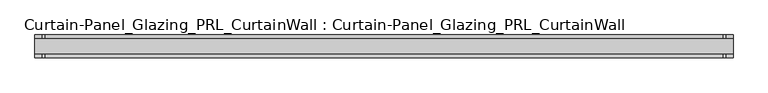
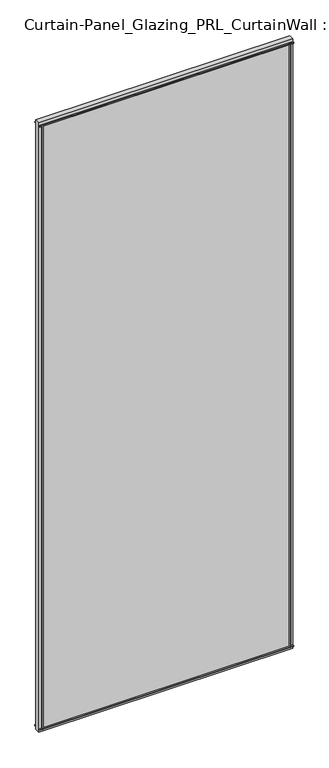
"""IFC4 building model written with IfcOpenShell, lengths in millimetres: plate geometry, Curtain-Panel_Glazing_PRL_CurtainWall : Curtain-Panel_Glazing_PRL_CurtainWall."""

from ifc_helpers import new_model, si_unit, frame, origin, origin_with_axes, place, context, project, spatial, polyline, outline, extrude, source, transform, mapped, element, save


def curtain_panel_glazing_prl_curtainwall_curtain_panel_glazing_aff7ef40(model_context):
    return source(origin(), model_context, "Body", "SweptSolid", [
        extrude(outline(polyline([(603.25, 19.05), (603.25, 12.7), (599.28125, 12.7), (599.28125, 19.05), (603.25, 19.05)])), frame((0.0, 0.0, 12.7), z_axis=(0.0, 0.0, 1.0), x_axis=(1.0, 0.0, 0.0)), (0.0, 0.0, 1.0), 2946.4),
        extrude(outline(polyline([(603.25, -19.05), (599.28125, -19.05), (599.28125, -12.7), (603.25, -12.7), (603.25, -19.05)])), frame((0.0, 0.0, 12.7), z_axis=(0.0, 0.0, 1.0), x_axis=(1.0, 0.0, 0.0)), (0.0, 0.0, 1.0), 2946.4),
        extrude(outline(polyline([(-542.925, 19.05), (-538.95625, 19.05), (-538.95625, 12.7), (-542.925, 12.7), (-542.925, 19.05)])), frame((0.0, 0.0, 12.7), z_axis=(0.0, 0.0, 1.0), x_axis=(1.0, 0.0, 0.0)), (0.0, 0.0, 1.0), 2946.4),
        extrude(outline(polyline([(-542.925, -19.05), (-542.925, -12.7), (-538.95625, -12.7), (-538.95625, -19.05), (-542.925, -19.05)])), frame((0.0, 0.0, 12.7), z_axis=(0.0, 0.0, 1.0), x_axis=(1.0, 0.0, 0.0)), (0.0, 0.0, 1.0), 2946.4),
        extrude(outline(polyline([(615.95, -12.7), (-555.625, -12.7), (-555.625, 12.7), (615.95, 12.7), (615.95, -12.7)])), origin_with_axes(), (0.0, 0.0, 1.0), 2971.8),
        extrude(outline(polyline([(-555.625, 19.05), (615.95, 19.05), (615.95, 12.7), (-555.625, 12.7), (-555.625, 19.05)])), frame((0.0, 0.0, 2955.13125), z_axis=(0.0, 0.0, 1.0), x_axis=(1.0, 0.0, 0.0)), (0.0, 0.0, 1.0), 3.96875),
        extrude(outline(polyline([(-555.625, -19.05), (-555.625, -12.7), (615.95, -12.7), (615.95, -19.05), (-555.625, -19.05)])), frame((0.0, 0.0, 2955.13125), z_axis=(0.0, 0.0, 1.0), x_axis=(1.0, 0.0, 0.0)), (0.0, 0.0, 1.0), 3.96875),
        extrude(outline(polyline([(-555.625, 19.05), (615.95, 19.05), (615.95, 12.7), (-555.625, 12.7), (-555.625, 19.05)])), frame((0.0, 0.0, 12.7), z_axis=(0.0, 0.0, 1.0), x_axis=(1.0, 0.0, 0.0)), (0.0, 0.0, 1.0), 3.96875),
        extrude(outline(polyline([(-555.625, -19.05), (-555.625, -12.7), (615.95, -12.7), (615.95, -19.05), (-555.625, -19.05)])), frame((0.0, 0.0, 12.7), z_axis=(0.0, 0.0, 1.0), x_axis=(1.0, 0.0, 0.0)), (0.0, 0.0, 1.0), 3.96875),
    ])


if __name__ == "__main__":
    model = new_model("IFC4")
    model_context = context("Model", 3, world=origin())
    ifc_project = project(units=[si_unit("LENGTHUNIT", "METRE", prefix="MILLI")], contexts=[model_context])
    site = spatial("IfcSite", under=ifc_project)
    building = spatial("IfcBuilding", under=site)
    placement = place(None, origin())
    curtain_panel_glazing_prl_curtainwall_curtain_panel_glazing_shape = curtain_panel_glazing_prl_curtainwall_curtain_panel_glazing_aff7ef40(model_context)
    element("IfcPlate", 1, ObjectType="Curtain-Panel_Glazing_PRL_CurtainWall : Curtain-Panel_Glazing_PRL_CurtainWall", at=placement, inside=building, context=model_context, shape_type="MappedRepresentation", body=[
        mapped(curtain_panel_glazing_prl_curtainwall_curtain_panel_glazing_shape, transform((0.0, 0.0, 0.0), x_axis=(1.0, 0.0, 0.0), y_axis=(0.0, 1.0, 0.0), z_axis=(0.0, 0.0, 1.0))),
    ])
    save(model, "model.ifc")
